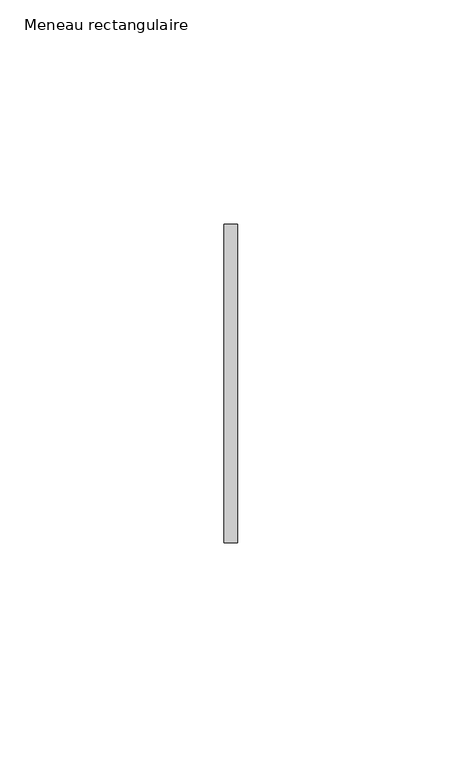
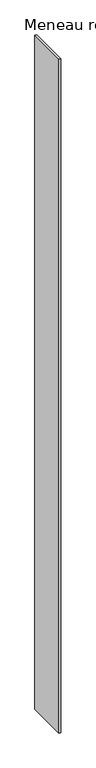
"""IFC4 building model written with IfcOpenShell, lengths in millimetres: member geometry, Meneau rectangulaire."""

from ifc_helpers import new_model, si_unit, frame, origin, place, context, project, spatial, polyline, outline, extrude, source, transform, mapped, element, save


def meneau_rectangulaire_b58c91cb(model_context):
    return source(origin(), model_context, "Body", "SweptSolid", [
        extrude(outline(polyline([(-1.5, 35.5), (1.5, 35.5), (1.5, -35.5), (-1.5, -35.5), (-1.5, 35.5)])), frame((0.0, 0.0, -1214.8750002), z_axis=(0.0, 0.0, 1.0), x_axis=(1.0, 0.0, 0.0)), (0.0, 0.0, 1.0), 1214.8750002),
    ])


if __name__ == "__main__":
    model = new_model("IFC4")
    model_context = context("Model", 3, world=origin())
    ifc_project = project(units=[si_unit("LENGTHUNIT", "METRE", prefix="MILLI")], contexts=[model_context])
    site = spatial("IfcSite", under=ifc_project)
    building = spatial("IfcBuilding", under=site)
    placement = place(None, origin())
    meneau_rectangulaire_shape = meneau_rectangulaire_b58c91cb(model_context)
    element("IfcMember", 1, ObjectType="Meneau rectangulaire", at=placement, inside=building, context=model_context, shape_type="MappedRepresentation", body=[
        mapped(meneau_rectangulaire_shape, transform((0.0, 0.0, 0.0), x_axis=(1.0, 0.0, 0.0), y_axis=(0.0, 1.0, 0.0), z_axis=(0.0, 0.0, 1.0))),
    ])
    save(model, "model.ifc")
